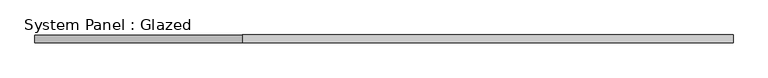
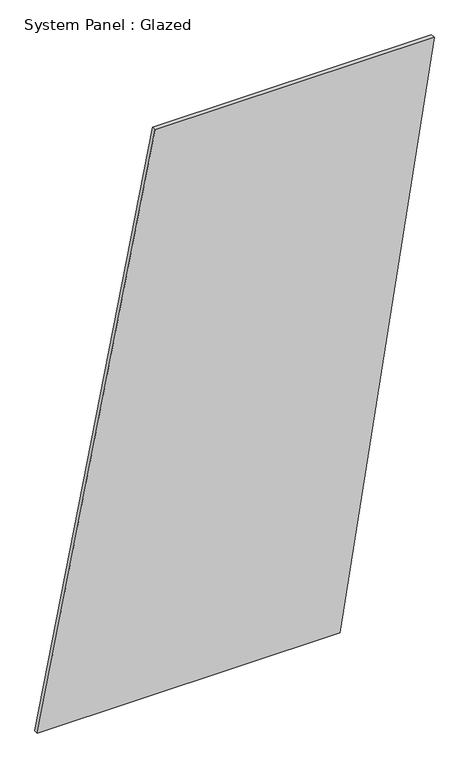
"""IFC4 building model written with IfcOpenShell, lengths in millimetres: plate geometry, System Panel : Glazed."""

from ifc_helpers import new_model, si_unit, frame, origin, place, context, project, spatial, polyline, outline, extrude, source, transform, mapped, element, save


def system_panel_glazed_f758532a(model_context):
    return source(origin(), model_context, "Body", "SweptSolid", [
        extrude(outline(polyline([(0.0, -1109.04803), (0.0, 582.3850105), (3331.8378669, 1109.04803), (3331.8378669, -450.7192557), (0.0, -1109.04803)])), frame((0.0, -49.5, 0.0), z_axis=(0.0, 1.0, 0.0), x_axis=(0.0, 0.0, 1.0)), (0.0, 0.0, 1.0), 25.0),
    ])


if __name__ == "__main__":
    model = new_model("IFC4")
    model_context = context("Model", 3, world=origin())
    ifc_project = project(units=[si_unit("LENGTHUNIT", "METRE", prefix="MILLI")], contexts=[model_context])
    site = spatial("IfcSite", under=ifc_project)
    building = spatial("IfcBuilding", under=site)
    placement = place(None, origin())
    system_panel_glazed_shape = system_panel_glazed_f758532a(model_context)
    element("IfcPlate", 1, ObjectType="System Panel : Glazed", at=placement, inside=building, context=model_context, shape_type="MappedRepresentation", body=[
        mapped(system_panel_glazed_shape, transform((0.0, 0.0, 0.0), x_axis=(1.0, 0.0, 0.0), y_axis=(0.0, 1.0, 0.0), z_axis=(0.0, 0.0, 1.0))),
    ])
    save(model, "model.ifc")
